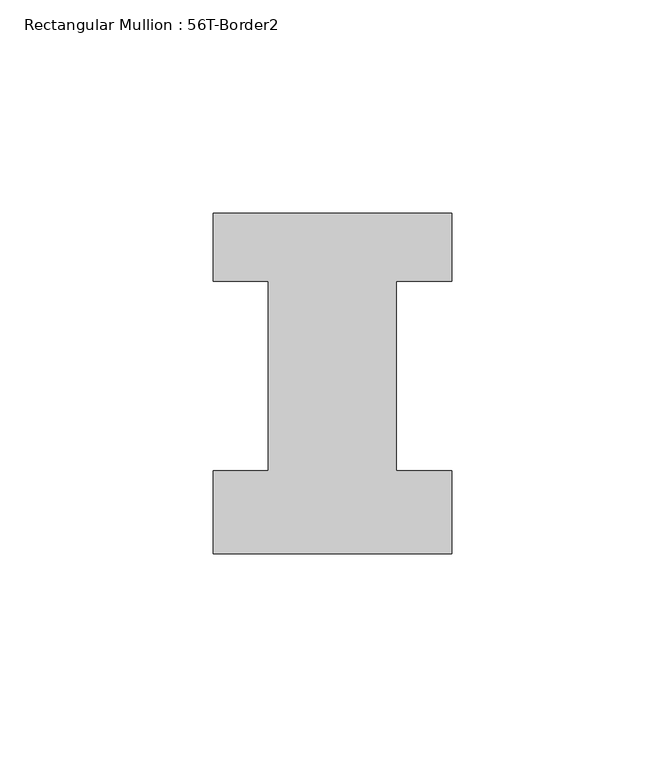
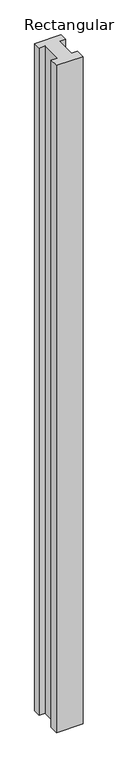
"""IFC4 building model written with IfcOpenShell, lengths in millimetres: member geometry, Rectangular Mullion : 56T-Border2."""

from ifc_helpers import new_model, si_unit, frame, origin, place, context, project, spatial, polyline, outline, extrude, source, transform, mapped, element, save


def rectangular_mullion_56t_border2_0fd1dfb4(model_context):
    return source(origin(), model_context, "Body", "SweptSolid", [
        extrude(outline(polyline([(0.0, -20.0), (-56.0, -20.0), (-56.0, -0.5), (-43.0, -0.5), (-43.0, 44.0), (-56.0, 44.0), (-56.0, 60.0), (0.0, 60.0), (0.0, 44.0), (-13.0, 44.0), (-13.0, -0.5), (0.0, -0.5), (0.0, -20.0)])), frame((0.0, 0.0, -1494.0), z_axis=(0.0, 0.0, 1.0), x_axis=(1.0, 0.0, 0.0)), (0.0, 0.0, 1.0), 1494.0),
    ])


if __name__ == "__main__":
    model = new_model("IFC4")
    model_context = context("Model", 3, world=origin())
    ifc_project = project(units=[si_unit("LENGTHUNIT", "METRE", prefix="MILLI")], contexts=[model_context])
    site = spatial("IfcSite", under=ifc_project)
    building = spatial("IfcBuilding", under=site)
    placement = place(None, origin())
    rectangular_mullion_56t_border2_shape = rectangular_mullion_56t_border2_0fd1dfb4(model_context)
    element("IfcMember", 1, ObjectType="Rectangular Mullion : 56T-Border2", at=placement, inside=building, context=model_context, shape_type="MappedRepresentation", body=[
        mapped(rectangular_mullion_56t_border2_shape, transform((0.0, 0.0, 0.0), x_axis=(1.0, 0.0, 0.0), y_axis=(0.0, 1.0, 0.0), z_axis=(0.0, 0.0, 1.0))),
    ])
    save(model, "model.ifc")
